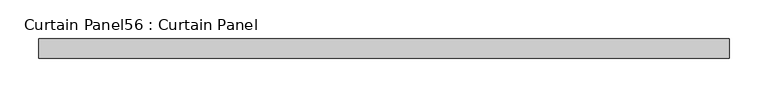
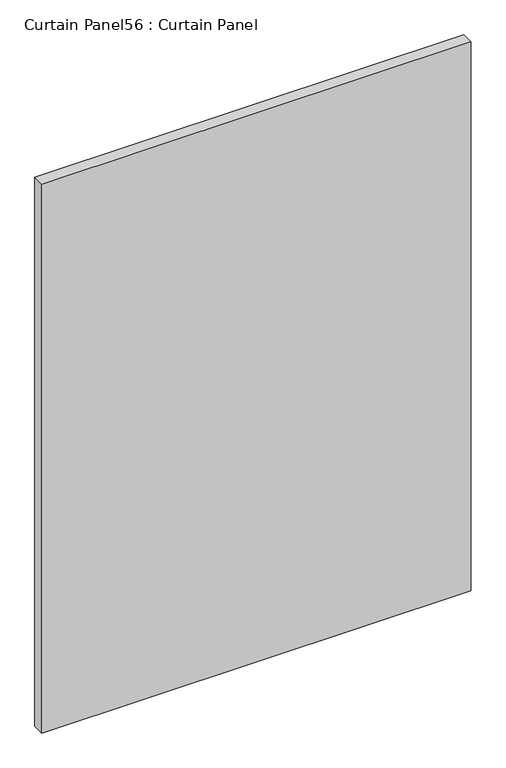
"""IFC4 building model written with IfcOpenShell, lengths in millimetres: plate geometry, Curtain Panel56 : Curtain Panel."""

from ifc_helpers import new_model, si_unit, frame, origin, place, context, project, spatial, polyline, outline, extrude, source, transform, mapped, element, save


def curtain_panel56_curtain_panel_9f6f73bd(model_context):
    return source(origin(), model_context, "Body", "SweptSolid", [
        extrude(outline(polyline([(-39161.3811382, -3859.9631042), (-40057.1628242, -3859.9631042), (-40057.1628242, -3834.5631042), (-39161.3811382, -3834.5631042), (-39161.3811382, -3859.9631042)])), frame((0.0, 0.0, 1217.432523), z_axis=(0.0, 0.0, 1.0), x_axis=(1.0, 0.0, 0.0)), (0.0, 0.0, 1.0), 1211.4423638),
    ])


if __name__ == "__main__":
    model = new_model("IFC4")
    model_context = context("Model", 3, world=origin())
    ifc_project = project(units=[si_unit("LENGTHUNIT", "METRE", prefix="MILLI")], contexts=[model_context])
    site = spatial("IfcSite", under=ifc_project)
    building = spatial("IfcBuilding", under=site)
    placement = place(None, origin())
    curtain_panel56_curtain_panel_shape = curtain_panel56_curtain_panel_9f6f73bd(model_context)
    element("IfcPlate", 1, ObjectType="Curtain Panel56 : Curtain Panel", at=placement, inside=building, context=model_context, shape_type="MappedRepresentation", body=[
        mapped(curtain_panel56_curtain_panel_shape, transform((0.0, 0.0, 0.0), x_axis=(1.0, 0.0, 0.0), y_axis=(0.0, 1.0, 0.0), z_axis=(0.0, 0.0, 1.0))),
    ])
    save(model, "model.ifc")
